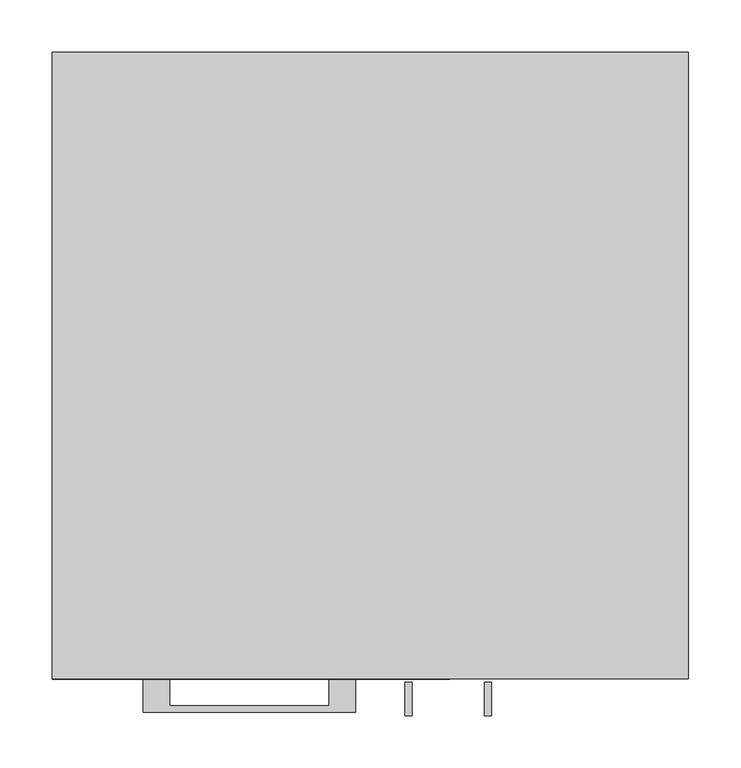
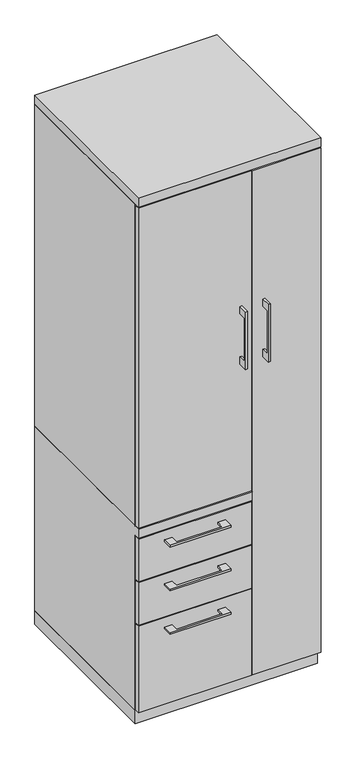
"""IFC4 building model written with IfcOpenShell, lengths in millimetres: furniture geometry."""

import ifcopenshell
import ifcopenshell.guid

model = None  # the IFC model being written
_history = None  # IfcOwnerHistory: only IFC2X3 demands one
_inside = {}  # id of a spatial element -> (the spatial element, [elements in it])
_under = {}  # id of a project, library or spatial element -> (it, [spatial elements below it])
_declared = {}  # id of a project -> (the project, [libraries it declares])
_typed = {}  # id of a type object -> (the type object, [elements of that type])
_made_of = {}  # id of a material, layer set ... -> (it, [elements and type objects made of it])


def new_model(schema):
    """Start an empty IFC model of exactly this schema.

    Asked for "IFC4X3", IfcOpenShell would pick the latest addendum, in which some entities
    have other attributes; the version numbers below select the first issue.
    IFC2X3 requires an IfcOwnerHistory on every rooted entity: one is made here for all.
    """
    global model, _history
    if schema == "IFC4X3":
        model = ifcopenshell.file(schema_version=(4, 3, 0, 0))
    else:
        model = ifcopenshell.file(schema=schema)
    _inside.clear()
    _under.clear()
    _declared.clear()
    _typed.clear()
    _made_of.clear()
    _history = None
    if model.schema == "IFC2X3":
        org = make("IfcOrganization", Name="unknown")
        user = make(
            "IfcPersonAndOrganization",
            ThePerson=make("IfcPerson", FamilyName="unknown"),
            TheOrganization=org,
        )
        app = make(
            "IfcApplication",
            ApplicationDeveloper=org,
            Version="unknown",
            ApplicationFullName="unknown",
            ApplicationIdentifier="unknown",
        )
        _history = make(
            "IfcOwnerHistory",
            OwningUser=user,
            OwningApplication=app,
            ChangeAction="ADDED",
            CreationDate=0,
        )
    return model


def make(cls, **values):
    """One entity of the class cls with the attributes given. An attribute that is None is left unset."""
    return model.create_entity(
        cls, **{name: value for name, value in values.items() if value is not None}
    )


def rooted(cls, **values):
    """An entity with a GlobalId (a new one), such as an element, a storey or a relation."""
    return make(cls, GlobalId=ifcopenshell.guid.new(), OwnerHistory=_history, **values)


def si_unit(unit_type, name, prefix=None):
    """IfcSIUnit, for example si_unit("LENGTHUNIT", "METRE", prefix="MILLI")."""
    return make("IfcSIUnit", UnitType=unit_type, Prefix=prefix, Name=name)


def assignment(units):
    """IfcUnitAssignment: the units of a project."""
    return None if units is None else make("IfcUnitAssignment", Units=units)


def point(xyz):
    """IfcCartesianPoint."""
    return None if xyz is None else make("IfcCartesianPoint", Coordinates=xyz)


def direction(xyz):
    """IfcDirection."""
    return None if xyz is None else make("IfcDirection", DirectionRatios=xyz)


def frame(location, z_axis=None, x_axis=None):
    """IfcAxis2Placement3D, a coordinate frame: its origin and axes. An axis left out is left unset."""
    return make(
        "IfcAxis2Placement3D",
        Location=point(location),
        Axis=direction(z_axis),
        RefDirection=direction(x_axis),
    )


def origin():
    """The frame at (0, 0, 0) with its axes left unset."""
    return frame((0.0, 0.0, 0.0))


def origin_with_axes():
    """The frame at (0, 0, 0) with the z axis (0, 0, 1) and the x axis (1, 0, 0) written out."""
    return frame((0.0, 0.0, 0.0), z_axis=(0.0, 0.0, 1.0), x_axis=(1.0, 0.0, 0.0))


def place(relative_to, where):
    """IfcLocalPlacement: puts the frame where relative to a parent placement (None: the world)."""
    return make(
        "IfcLocalPlacement", PlacementRelTo=relative_to, RelativePlacement=where
    )


def context(
    kind, dimensions, precision=None, world=None, true_north=None, identifier=None
):
    """IfcGeometricRepresentationContext, for example the 3D "Model" context."""
    return make(
        "IfcGeometricRepresentationContext",
        ContextIdentifier=identifier,
        ContextType=kind,
        CoordinateSpaceDimension=dimensions,
        Precision=precision,
        WorldCoordinateSystem=world,
        TrueNorth=true_north,
    )


def project(units=None, contexts=None):
    """IfcProject with its units and contexts."""
    return rooted(
        "IfcProject",
        Name="project",
        RepresentationContexts=contexts,
        UnitsInContext=assignment(units),
    )


def spatial(cls, under=None, at=None, **own):
    """A site, building, storey or space (cls), placed at a placement, below another one or the project."""
    s = rooted(cls, ObjectPlacement=at, **own)
    if under is not None:
        _under.setdefault(under.id(), (under, []))[1].append(s)
    return s


def polyline(points):
    """IfcPolyline through the points."""
    return make("IfcPolyline", Points=[point(p) for p in points])


def outline(outer, holes=None, kind="AREA"):
    """IfcArbitraryClosedProfileDef: a profile drawn as a closed curve; with holes, ...WithVoids."""
    if holes is None:
        return make("IfcArbitraryClosedProfileDef", ProfileType=kind, OuterCurve=outer)
    return make(
        "IfcArbitraryProfileDefWithVoids",
        ProfileType=kind,
        OuterCurve=outer,
        InnerCurves=holes,
    )


def extrude(swept, where, along, depth):
    """IfcExtrudedAreaSolid: the profile swept, set in the frame where, extruded along a direction by depth."""
    return make(
        "IfcExtrudedAreaSolid",
        SweptArea=swept,
        Position=where,
        ExtrudedDirection=direction(along),
        Depth=depth,
    )


def faces_of(points, faces, orient=None, outer=None):
    """IfcFace entities. A face is a list of loops; a loop is a list of indices into points, from 0.

    orient and outer hold one flag for each loop. By default every Orientation is true, the
    first loop of a face is its IfcFaceOuterBound and the others are IfcFaceBound.
    """
    made = []
    for i, loops in enumerate(faces):
        bounds = []
        for j, loop in enumerate(loops):
            is_outer = j == 0 if outer is None else outer[i][j]
            bounds.append(
                make(
                    "IfcFaceOuterBound" if is_outer else "IfcFaceBound",
                    Bound=make("IfcPolyLoop", Polygon=[points[k] for k in loop]),
                    Orientation=True if orient is None else orient[i][j],
                )
            )
        made.append(make("IfcFace", Bounds=bounds))
    return made


def faceted_brep(points, faces, orient=None, outer=None, voids=None):
    """IfcFacetedBrep: a solid bounded by flat faces; with voids (closed shells), ...WithVoids."""
    shared = [point(p) for p in points]
    hull = make("IfcClosedShell", CfsFaces=faces_of(shared, faces, orient, outer))
    if voids is None:
        return make("IfcFacetedBrep", Outer=hull)
    return make(
        "IfcFacetedBrepWithVoids",
        Outer=hull,
        Voids=[
            make(cls, CfsFaces=faces_of(shared, fs, o, b)) for cls, fs, o, b in voids
        ],
    )


def shape(context_of_items, identifier, shape_type, items):
    """IfcShapeRepresentation: the items that make up one representation, for example the "Body"."""
    return make(
        "IfcShapeRepresentation",
        ContextOfItems=context_of_items,
        RepresentationIdentifier=identifier,
        RepresentationType=shape_type,
        Items=items,
    )


def source(mapping_origin, context_of_items, identifier, shape_type, items):
    """IfcRepresentationMap: a shape defined once, which mapped items show again and again."""
    return make(
        "IfcRepresentationMap",
        MappingOrigin=mapping_origin,
        MappedRepresentation=shape(context_of_items, identifier, shape_type, items),
    )


def transform(
    local_origin,
    x_axis=None,
    y_axis=None,
    z_axis=None,
    scale=None,
    scale2=None,
    scale3=None,
    uniform=True,
):
    """IfcCartesianTransformationOperator3D, or its non-uniform kind. x_axis, y_axis, z_axis: its Axis1, 2, 3."""
    if uniform:
        return make(
            "IfcCartesianTransformationOperator3D",
            Axis1=direction(x_axis),
            Axis2=direction(y_axis),
            LocalOrigin=point(local_origin),
            Scale=scale,
            Axis3=direction(z_axis),
        )
    return make(
        "IfcCartesianTransformationOperator3DnonUniform",
        Axis1=direction(x_axis),
        Axis2=direction(y_axis),
        LocalOrigin=point(local_origin),
        Scale=scale,
        Axis3=direction(z_axis),
        Scale2=scale2,
        Scale3=scale3,
    )


def mapped(mapping_source, mapping_target):
    """IfcMappedItem: shows the shape of a source again, moved by a transform."""
    return make(
        "IfcMappedItem", MappingSource=mapping_source, MappingTarget=mapping_target
    )


def made_of(thing, what):
    """Note that an element or type object is made of a material, layer set ...; save() writes the relation."""
    if what is not None:
        _made_of.setdefault(what.id(), (what, []))[1].append(thing)
    return thing


def element(
    cls,
    number,
    at=None,
    inside=None,
    cuts=None,
    type_object=None,
    material=None,
    context=None,
    identifier="Body",
    shape_type=None,
    held_by="IfcProductDefinitionShape",
    body=None,
    shapes=None,
    **own,
):
    """One element of the class cls, such as IfcWall. Its Tag is "e" and its number.

    at: its placement. inside: the storey or other place that contains it. cuts: it is an
    opening in that element (IfcRelVoidsElement). A single representation is given by context,
    identifier, shape_type and body (its items); several are given by shapes. held_by: the class
    of the entity that holds the representations. save() writes the other relations.
    """
    e = rooted(cls, Tag="e%d" % number, ObjectPlacement=at, **own)
    if body is not None:
        shapes = [shape(context, identifier, shape_type, body)]
    if shapes is not None:
        e.Representation = make(held_by, Representations=shapes)
    if inside is not None:
        _inside.setdefault(inside.id(), (inside, []))[1].append(e)
    if cuts is not None:
        rooted(
            "IfcRelVoidsElement", RelatingBuildingElement=cuts, RelatedOpeningElement=e
        )
    if type_object is not None:
        _typed.setdefault(type_object.id(), (type_object, []))[1].append(e)
    return made_of(e, material)


def aggregate(whole, parts):
    """IfcRelAggregates: a whole, such as a stair, and the parts it consists of."""
    return rooted("IfcRelAggregates", RelatingObject=whole, RelatedObjects=parts)


def save(model, path):
    """Write the relations noted so far, then the file.

    IfcRelAggregates (storeys below a building ...), IfcRelContainedInSpatialStructure (elements
    in a storey), IfcRelDefinesByType, IfcRelAssociatesMaterial and IfcRelDeclares: one each for
    every whole, place, type object, material and project.
    """
    for whole, parts in _under.values():
        aggregate(whole, parts)
    for where, things in _inside.values():
        rooted(
            "IfcRelContainedInSpatialStructure",
            RelatedElements=things,
            RelatingStructure=where,
        )
    for kind, things in _typed.values():
        rooted("IfcRelDefinesByType", RelatedObjects=things, RelatingType=kind)
    for what, things in _made_of.values():
        rooted("IfcRelAssociatesMaterial", RelatedObjects=things, RelatingMaterial=what)
    for by, libraries in _declared.values():
        rooted("IfcRelDeclares", RelatingContext=by, RelatedDefinitions=libraries)
    model.write(path)


def furniture_a45fc327(model_context):
    return source(origin(), model_context, "Body", "SolidModel", [
        extrude(outline(polyline([(-192.0874818, -600.075), (-192.0874818, -625.4749758), (-39.6875, -625.4749758), (-39.6875, -600.075), (-14.2875061, -600.075), (-14.2875061, -631.8249879), (-217.4874939, -631.8249879), (-217.4874939, -600.075), (-192.0874818, -600.075)])), frame((0.0, 0.0, 623.8875506), z_axis=(0.0, 0.0, 1.0), x_axis=(1.0, 0.0, 0.0)), (0.0, 0.0, 1.0), 6.3499758),
        extrude(outline(polyline([(73.025, -581.025), (73.025, -600.075), (-304.8, -600.075), (-304.8, -581.025), (73.025, -581.025)])), frame((0.0, 0.0, 512.7625), z_axis=(0.0, 0.0, 1.0), x_axis=(1.0, 0.0, 0.0)), (0.0, 0.0, 1.0), 150.8125),
        extrude(outline(polyline([(-603.25, 1343.025), (-628.6499758, 1343.025), (-628.6499758, 1190.625), (-603.25, 1190.625), (-603.25, 1165.225), (-634.9999879, 1165.225), (-634.9999879, 1368.425), (-603.25, 1368.425), (-603.25, 1343.025)])), frame((33.3375121, 0.0, 0.0), z_axis=(1.0, 0.0, 0.0), x_axis=(0.0, 1.0, 0.0)), (0.0, 0.0, 1.0), 6.3499758),
        extrude(outline(polyline([(-304.8, -600.075), (-304.8, -581.025), (73.025, -581.025), (73.025, -600.075), (-304.8, -600.075)])), frame((0.0, 0.0, 701.675), z_axis=(0.0, 0.0, 1.0), x_axis=(1.0, 0.0, 0.0)), (0.0, 0.0, 1.0), 1130.3),
        extrude(outline(polyline([(-192.0874818, -600.075), (-192.0874818, -625.4749758), (-39.6875, -625.4749758), (-39.6875, -600.075), (-14.2875061, -600.075), (-14.2875061, -631.8249879), (-217.4874939, -631.8249879), (-217.4874939, -600.075), (-192.0874818, -600.075)])), frame((0.0, 0.0, 469.9000506), z_axis=(0.0, 0.0, 1.0), x_axis=(1.0, 0.0, 0.0)), (0.0, 0.0, 1.0), 6.3499758),
        extrude(outline(polyline([(73.025, -581.025), (73.025, -600.075), (-304.8, -600.075), (-304.8, -581.025), (73.025, -581.025)])), frame((0.0, 0.0, 358.775), z_axis=(0.0, 0.0, 1.0), x_axis=(1.0, 0.0, 0.0)), (0.0, 0.0, 1.0), 150.8125),
        extrude(outline(polyline([(-603.25, 1343.025), (-628.6499758, 1343.025), (-628.6499758, 1190.625), (-603.25, 1190.625), (-603.25, 1165.225), (-634.9999879, 1165.225), (-634.9999879, 1368.425), (-603.25, 1368.425), (-603.25, 1343.025)])), frame((109.5375121, 0.0, 0.0), z_axis=(1.0, 0.0, 0.0), x_axis=(0.0, 1.0, 0.0)), (0.0, 0.0, 1.0), 6.3499758),
        extrude(outline(polyline([(304.8, -600.075), (76.2, -600.075), (76.2, -581.025), (304.8, -581.025), (304.8, -600.075)])), frame((0.0, 0.0, 50.8), z_axis=(0.0, 0.0, 1.0), x_axis=(1.0, 0.0, 0.0)), (0.0, 0.0, 1.0), 1781.175),
        extrude(outline(polyline([(-192.0874818, -600.075), (-192.0874818, -625.4749758), (-39.6875, -625.4749758), (-39.6875, -600.075), (-14.2875061, -600.075), (-14.2875061, -631.8249879), (-217.4874939, -631.8249879), (-217.4874939, -600.075), (-192.0874818, -600.075)])), frame((0.0, 0.0, 315.9125506), z_axis=(0.0, 0.0, 1.0), x_axis=(1.0, 0.0, 0.0)), (0.0, 0.0, 1.0), 6.3499758),
        extrude(outline(polyline([(73.025, -581.025), (73.025, -600.075), (-304.8, -600.075), (-304.8, -581.025), (73.025, -581.025)])), frame((0.0, 0.0, 50.8), z_axis=(0.0, 0.0, 1.0), x_axis=(1.0, 0.0, 0.0)), (0.0, 0.0, 1.0), 304.8),
        faceted_brep([(-304.8, -581.025, 47.625), (-304.8, 0.0, 47.625), (76.2, 0.0, 47.625), (76.2, -581.025, 47.625), (-304.8, 0.0, 698.5), (76.2, 0.0, 698.5), (-304.8, -581.025, 666.75), (-304.8, -600.075, 666.75), (-304.8, -600.075, 698.5), (76.2, -581.025, 666.75), (57.15, -581.025, 666.75), (76.2, -581.025, 1835.15), (57.15, -581.025, 1835.15), (57.15, -581.025, 698.5), (76.2, -581.025, 698.5), (76.2, -19.05, 698.5), (76.2, -19.05, 1835.15), (76.2, -600.075, 698.5), (76.2, -600.075, 666.75), (57.15, -19.05, 1835.15), (57.15, -19.05, 698.5)], [[[0, 1, 2, 3]], [[2, 1, 4, 5]], [[4, 1, 0, 6, 7, 8]], [[6, 0, 3, 9, 10]], [[11, 12, 13, 14]], [[2, 5, 15, 16, 11, 14, 17, 18, 9, 3]], [[16, 19, 12, 11]], [[19, 16, 15, 20]], [[12, 19, 20, 13]], [[5, 4, 8, 17, 14, 13, 20, 15]], [[18, 7, 6, 10, 9]], [[17, 8, 7, 18]]]),
        extrude(outline(polyline([(76.2, 0.0), (76.2, -19.05), (-285.75, -19.05), (-285.75, -581.025), (-304.8, -581.025), (-304.8, 0.0), (76.2, 0.0)])), frame((0.0, 0.0, 698.5), z_axis=(0.0, 0.0, 1.0), x_axis=(1.0, 0.0, 0.0)), (0.0, 0.0, 1.0), 1136.65),
        extrude(outline(polyline([(304.8, 0.0), (304.8, -581.025), (285.75, -581.025), (285.75, -19.05), (76.2, -19.05), (76.2, 0.0), (304.8, 0.0)])), frame((0.0, 0.0, 47.625), z_axis=(0.0, 0.0, 1.0), x_axis=(1.0, 0.0, 0.0)), (0.0, 0.0, 1.0), 1787.525),
        extrude(outline(polyline([(304.8, 0.0), (304.8, -600.075), (-304.8, -600.075), (-304.8, 0.0), (304.8, 0.0)])), frame((0.0, 0.0, 1835.15), z_axis=(0.0, 0.0, 1.0), x_axis=(1.0, 0.0, 0.0)), (0.0, 0.0, 1.0), 31.75),
        extrude(outline(polyline([(304.8, 0.0), (304.8, -581.025), (-304.8, -581.025), (-304.8, 0.0), (304.8, 0.0)])), origin_with_axes(), (0.0, 0.0, 1.0), 47.625),
    ])


if __name__ == "__main__":
    model = new_model("IFC4")
    model_context = context("Model", 3, world=origin())
    ifc_project = project(units=[si_unit("LENGTHUNIT", "METRE", prefix="MILLI")], contexts=[model_context])
    site = spatial("IfcSite", under=ifc_project)
    building = spatial("IfcBuilding", under=site)
    placement = place(None, origin())
    furniture_shape = furniture_a45fc327(model_context)
    element("IfcFurniture", 1, at=placement, inside=building, context=model_context, shape_type="MappedRepresentation", body=[
        mapped(furniture_shape, transform((0.0, 0.0, 0.0), x_axis=(1.0, 0.0, 0.0), y_axis=(0.0, 1.0, 0.0), z_axis=(0.0, 0.0, 1.0))),
    ])
    save(model, "model.ifc")
